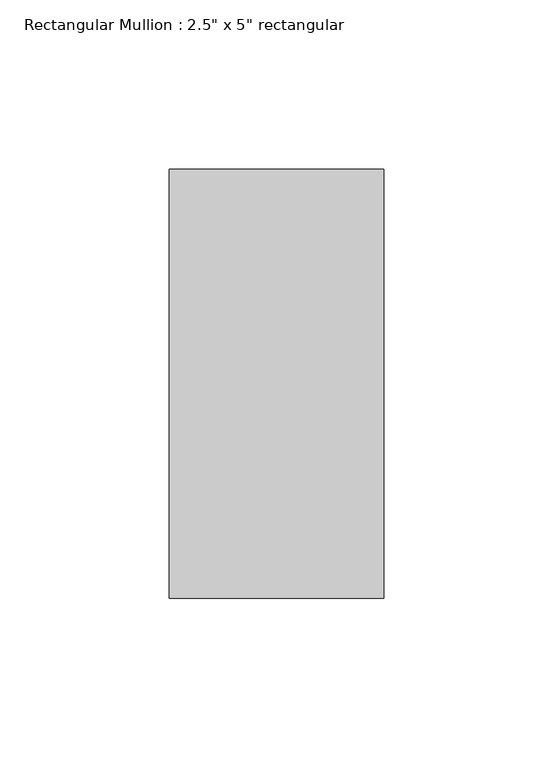
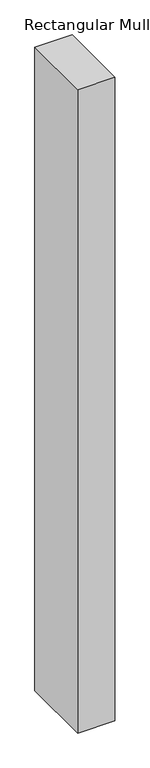
"""IFC4 building model written with IfcOpenShell, lengths in millimetres: member geometry."""

from ifc_helpers import new_model, si_unit, frame, origin, place, context, project, spatial, polyline, outline, extrude, source, transform, mapped, element, save


def member_0451a98f(model_context):
    return source(origin(), model_context, "Body", "SweptSolid", [
        extrude(outline(polyline([(0.0, 63.5), (0.0, -63.5), (-63.5, -63.5), (-63.5, 63.5), (0.0, 63.5)])), frame((0.0, 0.0, -1163.8138889), z_axis=(0.0, 0.0, 1.0), x_axis=(1.0, 0.0, 0.0)), (0.0, 0.0, 1.0), 1163.8138889),
    ])


if __name__ == "__main__":
    model = new_model("IFC4")
    model_context = context("Model", 3, world=origin())
    ifc_project = project(units=[si_unit("LENGTHUNIT", "METRE", prefix="MILLI")], contexts=[model_context])
    site = spatial("IfcSite", under=ifc_project)
    building = spatial("IfcBuilding", under=site)
    placement = place(None, origin())
    member_shape = member_0451a98f(model_context)
    element("IfcMember", 1, ObjectType="Rectangular Mullion : 2.5\" x 5\" rectangular", at=placement, inside=building, context=model_context, shape_type="MappedRepresentation", body=[
        mapped(member_shape, transform((0.0, 0.0, 0.0), x_axis=(1.0, 0.0, 0.0), y_axis=(0.0, 1.0, 0.0), z_axis=(0.0, 0.0, 1.0))),
    ])
    save(model, "model.ifc")
